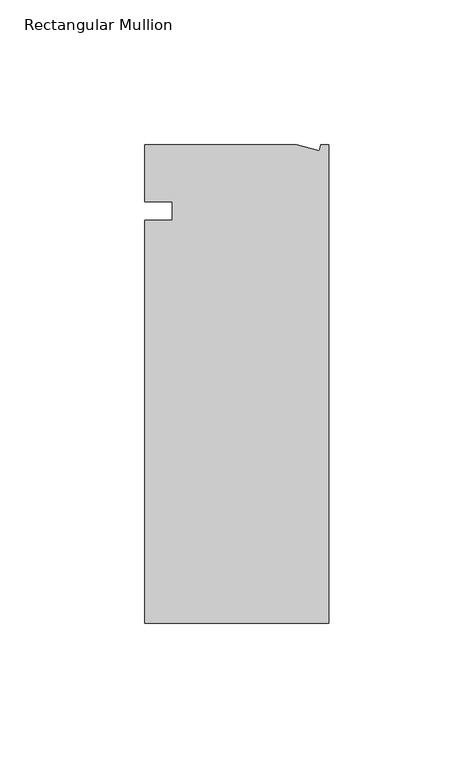
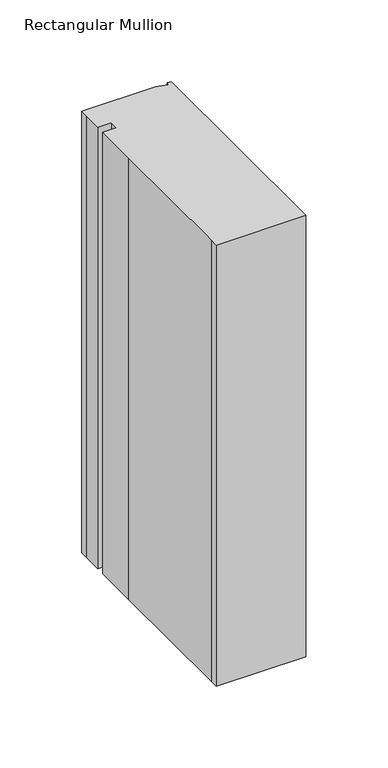
"""IFC4 building model written with IfcOpenShell, lengths in millimetres: member geometry, Rectangular Mullion."""

from ifc_helpers import new_model, si_unit, frame, origin, place, context, project, spatial, polyline, outline, extrude, source, transform, mapped, element, save


def rectangular_mullion_1e7d373a(model_context):
    return source(origin(), model_context, "Body", "SweptSolid", [
        extrude(outline(polyline([(-11.1265412, 19.6597595), (-3.3457217, 17.5748952), (-2.787084, 19.6597595), (0.0, 19.6597595), (0.0, -145.4402405), (-63.5, -145.4402405), (-63.5, -139.0912246), (-63.5, -38.3358837), (-63.5, -6.35), (-53.975, -6.35), (-53.975, 0.0), (-63.5, 0.0), (-63.5, 13.6093403), (-63.5, 19.6597595), (-11.1265412, 19.6597595)])), frame((0.0, 0.0, -330.2), z_axis=(0.0, 0.0, 1.0), x_axis=(1.0, 0.0, 0.0)), (0.0, 0.0, 1.0), 330.2),
    ])


if __name__ == "__main__":
    model = new_model("IFC4")
    model_context = context("Model", 3, world=origin())
    ifc_project = project(units=[si_unit("LENGTHUNIT", "METRE", prefix="MILLI")], contexts=[model_context])
    site = spatial("IfcSite", under=ifc_project)
    building = spatial("IfcBuilding", under=site)
    placement = place(None, origin())
    rectangular_mullion_shape = rectangular_mullion_1e7d373a(model_context)
    element("IfcMember", 1, ObjectType="Rectangular Mullion", at=placement, inside=building, context=model_context, shape_type="MappedRepresentation", body=[
        mapped(rectangular_mullion_shape, transform((0.0, 0.0, 0.0), x_axis=(1.0, 0.0, 0.0), y_axis=(0.0, 1.0, 0.0), z_axis=(0.0, 0.0, 1.0))),
    ])
    save(model, "model.ifc")
